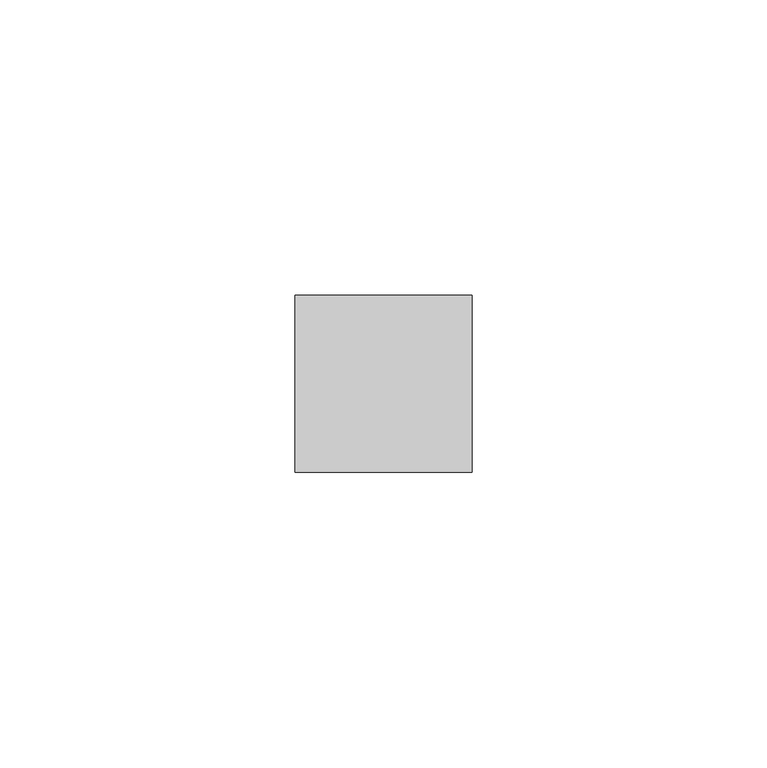
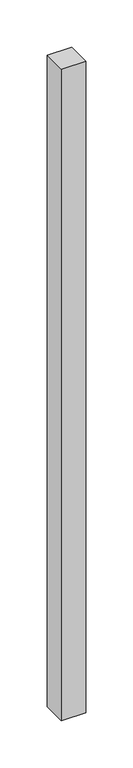
"""IFC4 building model written with IfcOpenShell, lengths in millimetres: member geometry."""

from ifc_helpers import new_model, si_unit, frame, origin, place, context, project, spatial, polyline, outline, extrude, source, transform, mapped, element, save


def member_9c553a28(model_context):
    return source(origin(), model_context, "Body", "SweptSolid", [
        extrude(outline(polyline([(15.0, 15.0), (15.0, -15.0), (-15.0, -15.0), (-15.0, 15.0), (15.0, 15.0)])), frame((0.0, 0.0, -843.4348165), z_axis=(0.0, 0.0, 1.0), x_axis=(1.0, 0.0, 0.0)), (0.0, 0.0, 1.0), 843.4348165),
    ])


if __name__ == "__main__":
    model = new_model("IFC4")
    model_context = context("Model", 3, world=origin())
    ifc_project = project(units=[si_unit("LENGTHUNIT", "METRE", prefix="MILLI")], contexts=[model_context])
    site = spatial("IfcSite", under=ifc_project)
    building = spatial("IfcBuilding", under=site)
    placement = place(None, origin())
    member_shape = member_9c553a28(model_context)
    element("IfcMember", 1, at=placement, inside=building, context=model_context, shape_type="MappedRepresentation", body=[
        mapped(member_shape, transform((0.0, 0.0, 0.0), x_axis=(1.0, 0.0, 0.0), y_axis=(0.0, 1.0, 0.0), z_axis=(0.0, 0.0, 1.0))),
    ])
    save(model, "model.ifc")
